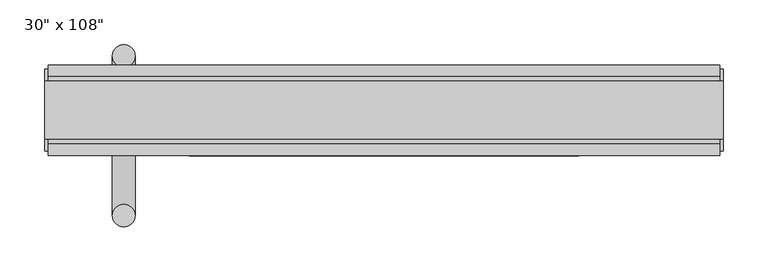
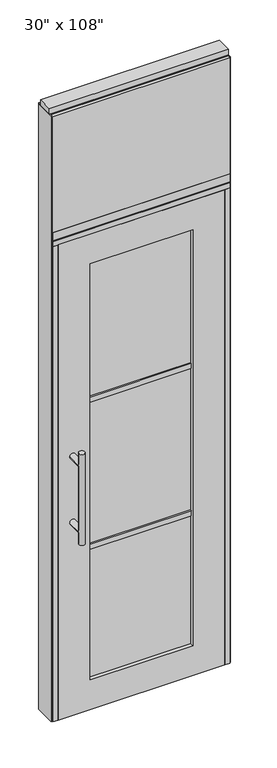
"""IFC4 building model written with IfcOpenShell, lengths in millimetres: furniture geometry."""

from ifc_helpers import new_model, si_unit, frame, origin, origin_with_axes, place, context, project, spatial, polyline, circle_curve, ellipse_curve, outline, extrude, source, transform, mapped, element, save
from ifc_brep_helpers import plane_surface, cylinder_surface, advanced_brep


def furniture_96e59d40(model_context):
    return source(origin(), model_context, "Body", "SolidModel", [
        extrude(outline(polyline([(317.0264771, -55.3177216), (-437.0995229, -55.3177216), (-437.0995229, -42.6177216), (317.0264771, -42.6177216), (317.0264771, -55.3177216)])), frame((0.0, 0.0, 2197.1), z_axis=(0.0, 0.0, 1.0), x_axis=(1.0, 0.0, 0.0)), (0.0, 0.0, 1.0), 520.7),
        extrude(outline(polyline([(317.0264771, 46.2822784), (317.0264771, 33.5822784), (-437.0995229, 33.5822784), (-437.0995229, 46.2822784), (317.0264771, 46.2822784)])), frame((0.0, 0.0, 2197.1), z_axis=(0.0, 0.0, 1.0), x_axis=(1.0, 0.0, 0.0)), (0.0, 0.0, 1.0), 520.7),
        advanced_brep(
        [(-364.8365229, 56.6962784, 1219.2), (-339.4365229, 56.6962784, 1219.2), (-364.8365229, 56.6962784, 812.8), (-339.4365229, 56.6962784, 812.8), (-339.4365229, 56.6962784, 1164.336), (-339.4365229, 56.6962784, 867.664), (-364.8365229, 56.6962784, 867.664), (-364.8365229, 56.6962784, 1164.336), (-364.8365229, -10.8677216, 1164.336), (-339.4365229, -10.8677216, 1164.336), (-364.8365229, -10.8677216, 867.664), (-339.4365229, -10.8677216, 867.664)],
        [
            (0, 1, circle_curve(frame((-352.1365229, 56.6962784, 1219.2), z_axis=(0.0, 0.0, 1.0), x_axis=(1.0, 0.0, 0.0)), 12.7)),
            (1, 0, circle_curve(frame((-352.1365229, 56.6962784, 1219.2), z_axis=(0.0, 0.0, 1.0), x_axis=(1.0, 0.0, 0.0)), 12.7)),
            (2, 3, circle_curve(frame((-352.1365229, 56.6962784, 812.8), z_axis=(0.0, 0.0, -1.0), x_axis=(1.0, 0.0, 0.0)), 12.7)),
            (3, 2, circle_curve(frame((-352.1365229, 56.6962784, 812.8), z_axis=(0.0, 0.0, -1.0), x_axis=(1.0, 0.0, 0.0)), 12.7)),
            (1, 4),
            (4, 5),
            (5, 3),
            (2, 6),
            (6, 7),
            (7, 0),
            (6, 5, ellipse_curve(frame((-352.1365229, 56.6962784, 867.664), z_axis=(0.0, 0.707106781186565, 0.70710678118653), x_axis=(0.0, -0.70710678118653, 0.707106781186565)), 17.9605122, 12.7)),
            (4, 7, ellipse_curve(frame((-352.1365229, 56.6962784, 1164.336), z_axis=(0.0, 0.70710678118653, -0.7071067811865649), x_axis=(0.0, 0.7071067811865648, 0.7071067811865301)), 17.9605122, 12.7)),
            (7, 4, ellipse_curve(frame((-352.1365229, 56.6962784, 1164.336), z_axis=(0.0, 0.707106781186565, 0.70710678118653), x_axis=(0.0, -0.70710678118653, 0.707106781186565)), 17.9605122, 12.7)),
            (5, 6, ellipse_curve(frame((-352.1365229, 56.6962784, 867.664), z_axis=(0.0, 0.70710678118653, -0.7071067811865649), x_axis=(0.0, 0.7071067811865648, 0.7071067811865301)), 17.9605122, 12.7)),
            (8, 9, circle_curve(frame((-352.1365229, -10.8677216, 1164.336), z_axis=(0.0, -1.0, 0.0), x_axis=(1.0, 0.0, 0.0)), 12.7)),
            (9, 8, circle_curve(frame((-352.1365229, -10.8677216, 1164.336), z_axis=(0.0, -1.0, 0.0), x_axis=(1.0, 0.0, 0.0)), 12.7)),
            (8, 7),
            (4, 9),
            (10, 11, circle_curve(frame((-352.1365229, -10.8677216, 867.664), z_axis=(0.0, -1.0, 0.0), x_axis=(1.0, 0.0, 0.0)), 12.7)),
            (11, 10, circle_curve(frame((-352.1365229, -10.8677216, 867.664), z_axis=(0.0, -1.0, 0.0), x_axis=(1.0, 0.0, 0.0)), 12.7)),
            (10, 6),
            (5, 11),
        ],
        [
            plane_surface(frame((-339.4365229, 56.6962784, 1219.2), z_axis=(0.0, 0.0, 1.0), x_axis=(0.0, -1.0, 0.0))),
            plane_surface(frame((-339.4365229, 56.6962784, 812.8), z_axis=(0.0, 0.0, -1.0), x_axis=(0.0, 1.0, 0.0))),
            cylinder_surface(frame((-352.1365229, 56.6962784, 812.8), z_axis=(0.0, 0.0, 1.0), x_axis=(1.0, 0.0, 0.0)), 12.7),
            plane_surface(frame((-339.4365229, -10.8677216, 1164.336), z_axis=(0.0, -1.0, 0.0), x_axis=(0.0, 0.0, -1.0))),
            cylinder_surface(frame((-352.1365229, -10.8677216, 1164.336), z_axis=(0.0, 1.0, 0.0), x_axis=(1.0, 0.0, 0.0)), 12.7),
            plane_surface(frame((-339.4365229, -10.8677216, 867.664), z_axis=(0.0, -1.0, 0.0), x_axis=(0.0, 0.0, -1.0))),
            cylinder_surface(frame((-352.1365229, -10.8677216, 867.664), z_axis=(0.0, 1.0, 0.0), x_axis=(1.0, 0.0, 0.0)), 12.7),
        ],
        [
            (0, [[1, 2]]),
            (1, [[3, 4]]),
            (2, [[5, 6, 7, -3, 8, 9, 10, -2]]),
            (2, [[-9, 11, -6, 12]]),
            (2, [[-10, 13, -5, -1]]),
            (2, [[-7, 14, -8, -4]]),
            (3, [[15, 16]]),
            (4, [[17, -12, 18, -15]]),
            (4, [[-18, -13, -17, -16]]),
            (5, [[19, 20]]),
            (6, [[21, -14, 22, -19]]),
            (6, [[-22, -11, -21, -20]]),
        ],
    ),
        advanced_brep(
        [(-364.8365229, -122.8817216, 1219.2), (-339.4365229, -122.8817216, 1219.2), (-364.8365229, -122.8817216, 812.8), (-339.4365229, -122.8817216, 812.8), (-364.8365229, -122.8817216, 1164.336), (-364.8365229, -122.8817216, 867.664), (-339.4365229, -122.8817216, 867.664), (-339.4365229, -122.8817216, 1164.336), (-364.8365229, -55.3177216, 1164.336), (-339.4365229, -55.3177216, 1164.336), (-364.8365229, -55.3177216, 867.664), (-339.4365229, -55.3177216, 867.664)],
        [
            (0, 1, circle_curve(frame((-352.1365229, -122.8817216, 1219.2), z_axis=(0.0, 0.0, 1.0), x_axis=(1.0, 0.0, 0.0)), 12.7)),
            (1, 0, circle_curve(frame((-352.1365229, -122.8817216, 1219.2), z_axis=(0.0, 0.0, 1.0), x_axis=(1.0, 0.0, 0.0)), 12.7)),
            (2, 3, circle_curve(frame((-352.1365229, -122.8817216, 812.8), z_axis=(0.0, 0.0, -1.0), x_axis=(1.0, 0.0, 0.0)), 12.7)),
            (3, 2, circle_curve(frame((-352.1365229, -122.8817216, 812.8), z_axis=(0.0, 0.0, -1.0), x_axis=(1.0, 0.0, 0.0)), 12.7)),
            (0, 4),
            (4, 5),
            (5, 2),
            (3, 6),
            (6, 7),
            (7, 1),
            (7, 4, ellipse_curve(frame((-352.1365229, -122.8817216, 1164.336), z_axis=(0.0, -0.707106781186565, 0.70710678118653), x_axis=(0.0, 0.70710678118653, 0.707106781186565)), 17.9605122, 12.7)),
            (5, 6, ellipse_curve(frame((-352.1365229, -122.8817216, 867.664), z_axis=(0.0, -0.70710678118653, -0.7071067811865649), x_axis=(0.0, -0.7071067811865648, 0.7071067811865301)), 17.9605122, 12.7)),
            (4, 7, ellipse_curve(frame((-352.1365229, -122.8817216, 1164.336), z_axis=(0.0, -0.70710678118653, -0.7071067811865649), x_axis=(0.0, -0.7071067811865648, 0.7071067811865301)), 17.9605122, 12.7)),
            (6, 5, ellipse_curve(frame((-352.1365229, -122.8817216, 867.664), z_axis=(0.0, -0.707106781186565, 0.70710678118653), x_axis=(0.0, 0.70710678118653, 0.707106781186565)), 17.9605122, 12.7)),
            (8, 9, circle_curve(frame((-352.1365229, -55.3177216, 1164.336), z_axis=(0.0, 1.0, 0.0), x_axis=(1.0, 0.0, 0.0)), 12.7)),
            (9, 8, circle_curve(frame((-352.1365229, -55.3177216, 1164.336), z_axis=(0.0, 1.0, 0.0), x_axis=(1.0, 0.0, 0.0)), 12.7)),
            (9, 7),
            (4, 8),
            (10, 11, circle_curve(frame((-352.1365229, -55.3177216, 867.664), z_axis=(0.0, 1.0, 0.0), x_axis=(1.0, 0.0, 0.0)), 12.7)),
            (11, 10, circle_curve(frame((-352.1365229, -55.3177216, 867.664), z_axis=(0.0, 1.0, 0.0), x_axis=(1.0, 0.0, 0.0)), 12.7)),
            (11, 6),
            (5, 10),
        ],
        [
            plane_surface(frame((-339.4365229, -122.8817216, 1219.2), z_axis=(0.0, 0.0, 1.0), x_axis=(0.0, 1.0, 0.0))),
            plane_surface(frame((-339.4365229, -122.8817216, 812.8), z_axis=(0.0, 0.0, -1.0), x_axis=(0.0, -1.0, 0.0))),
            cylinder_surface(frame((-352.1365229, -122.8817216, 812.8), z_axis=(0.0, 0.0, 1.0), x_axis=(1.0, 0.0, 0.0)), 12.7),
            plane_surface(frame((-339.4365229, -55.3177216, 1164.336), z_axis=(0.0, 1.0, 0.0), x_axis=(0.0, 0.0, -1.0))),
            cylinder_surface(frame((-352.1365229, -55.3177216, 1164.336), z_axis=(0.0, -1.0, 0.0), x_axis=(1.0, 0.0, 0.0)), 12.7),
            plane_surface(frame((-339.4365229, -55.3177216, 867.664), z_axis=(0.0, 1.0, 0.0), x_axis=(0.0, 0.0, -1.0))),
            cylinder_surface(frame((-352.1365229, -55.3177216, 867.664), z_axis=(0.0, -1.0, 0.0), x_axis=(1.0, 0.0, 0.0)), 12.7),
        ],
        [
            (0, [[1, 2]]),
            (1, [[3, 4]]),
            (2, [[-1, 5, 6, 7, -4, 8, 9, 10]]),
            (2, [[-2, -10, 11, -5]]),
            (2, [[-3, -7, 12, -8]]),
            (2, [[13, -9, 14, -6]]),
            (3, [[15, 16]]),
            (4, [[-16, 17, -13, 18]]),
            (4, [[-15, -18, -11, -17]]),
            (5, [[19, 20]]),
            (6, [[-20, 21, -12, 22]]),
            (6, [[-19, -22, -14, -21]]),
        ],
    ),
        extrude(outline(polyline([(-278.8575229, -44.2052216), (-278.8575229, -21.9802216), (158.7844771, -21.9802216), (158.7844771, -44.2052216), (-278.8575229, -44.2052216)])), frame((0.0, 0.0, 1371.6), z_axis=(0.0, 0.0, 1.0), x_axis=(1.0, 0.0, 0.0)), (0.0, 0.0, 1.0), 22.225),
        extrude(outline(polyline([(-278.8575229, -44.2052216), (-278.8575229, -21.9802216), (158.7844771, -21.9802216), (158.7844771, -44.2052216), (-278.8575229, -44.2052216)])), frame((0.0, 0.0, 711.2), z_axis=(0.0, 0.0, 1.0), x_axis=(1.0, 0.0, 0.0)), (0.0, 0.0, 1.0), 22.225),
        extrude(outline(polyline([(158.7844771, -38.1727216), (-278.8575229, -38.1727216), (-278.8575229, -28.0127216), (158.7844771, -28.0127216), (158.7844771, -38.1727216)])), frame((0.0, 0.0, 132.969), z_axis=(0.0, 0.0, 1.0), x_axis=(1.0, 0.0, 0.0)), (0.0, 0.0, 1.0), 1867.662),
        extrude(outline(polyline([(2133.6, 294.8014771), (2133.6, -414.8745229), (0.0, -414.8745229), (0.0, 294.8014771), (2133.6, 294.8014771)]), holes=[polyline([(2000.631, 158.7844771), (132.969, 158.7844771), (132.969, -278.8575229), (2000.631, -278.8575229), (2000.631, 158.7844771)])]), frame((0.0, -55.3177216, 0.0), z_axis=(0.0, 1.0, 0.0), x_axis=(0.0, 0.0, 1.0)), (0.0, 0.0, 1.0), 44.45),
        extrude(outline(polyline([(-42.6177216, 2681.478), (-42.6177216, 2717.8), (33.5822784, 2717.8), (33.5822784, 2681.478), (28.6292784, 2681.478), (28.6292784, 2676.525), (-37.6647216, 2676.525), (-37.6647216, 2681.478), (-42.6177216, 2681.478)])), frame((-437.0995229, 0.0, 0.0), z_axis=(1.0, 0.0, 0.0), x_axis=(0.0, 1.0, 0.0)), (0.0, 0.0, 1.0), 754.126),
        extrude(outline(polyline([(-437.0995229, -55.3177216), (-437.0995229, 46.2822784), (317.0264771, 46.2822784), (317.0264771, -55.3177216), (-437.0995229, -55.3177216)])), frame((0.0, 0.0, 2133.6), z_axis=(0.0, 0.0, 1.0), x_axis=(1.0, 0.0, 0.0)), (0.0, 0.0, 1.0), 22.225),
        extrude(outline(polyline([(-55.3177216, 2160.778), (-55.3177216, 2197.1), (46.2822784, 2197.1), (46.2822784, 2160.778), (41.3292784, 2160.778), (41.3292784, 2155.825), (-50.3647216, 2155.825), (-50.3647216, 2160.778), (-55.3177216, 2160.778)])), frame((-437.0995229, 0.0, 0.0), z_axis=(1.0, 0.0, 0.0), x_axis=(0.0, 1.0, 0.0)), (0.0, 0.0, 1.0), 754.126),
        extrude(outline(polyline([(320.9634771, -50.3647216), (317.0264771, -50.3647216), (317.0264771, 41.3292784), (320.9634771, 41.3292784), (320.9634771, -50.3647216)])), origin_with_axes(), (0.0, 0.0, 1.0), 2717.8),
        extrude(outline(polyline([(-441.0365229, -50.3647216), (-441.0365229, 41.3292784), (-437.0995229, 41.3292784), (-437.0995229, -50.3647216), (-441.0365229, -50.3647216)])), origin_with_axes(), (0.0, 0.0, 1.0), 2717.8),
        extrude(outline(polyline([(294.8014771, -55.3177216), (294.8014771, 46.2822784), (317.0264771, 46.2822784), (317.0264771, -55.3177216), (294.8014771, -55.3177216)])), origin_with_axes(), (0.0, 0.0, 1.0), 2133.6),
        extrude(outline(polyline([(-414.8745229, -55.3177216), (-437.0995229, -55.3177216), (-437.0995229, 46.2822784), (-414.8745229, 46.2822784), (-414.8745229, -55.3177216)])), origin_with_axes(), (0.0, 0.0, 1.0), 2133.6),
        extrude(outline(polyline([(-441.0365229, -37.0297216), (-441.0365229, 27.9942784), (320.9634771, 27.9942784), (320.9634771, -37.0297216), (-441.0365229, -37.0297216)])), frame((0.0, 0.0, 2717.8), z_axis=(0.0, 0.0, 1.0), x_axis=(1.0, 0.0, 0.0)), (0.0, 0.0, 1.0), 25.4),
    ])


if __name__ == "__main__":
    model = new_model("IFC4")
    model_context = context("Model", 3, world=origin())
    ifc_project = project(units=[si_unit("LENGTHUNIT", "METRE", prefix="MILLI")], contexts=[model_context])
    site = spatial("IfcSite", under=ifc_project)
    building = spatial("IfcBuilding", under=site)
    placement = place(None, origin())
    furniture_shape = furniture_96e59d40(model_context)
    element("IfcFurniture", 1, ObjectType="30\" x 108\"", at=placement, inside=building, context=model_context, shape_type="MappedRepresentation", body=[
        mapped(furniture_shape, transform((0.0, 0.0, 0.0), x_axis=(1.0, 0.0, 0.0), y_axis=(0.0, 1.0, 0.0), z_axis=(0.0, 0.0, 1.0))),
    ])
    save(model, "model.ifc")
